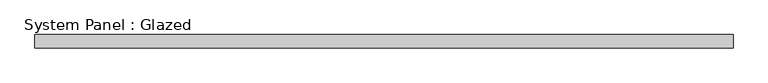
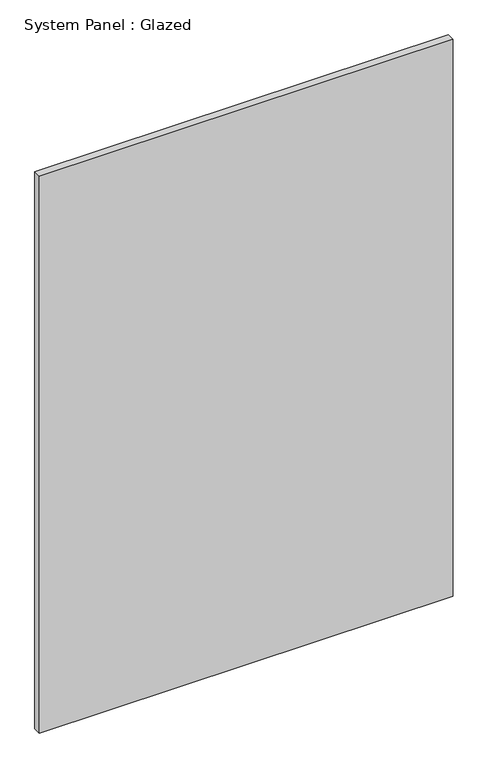
"""IFC4 building model written with IfcOpenShell, lengths in millimetres: plate geometry, System Panel : Glazed."""

from ifc_helpers import new_model, si_unit, origin, origin_with_axes, place, context, project, spatial, polyline, outline, extrude, source, transform, mapped, element, save


def system_panel_glazed_175399d9(model_context):
    return source(origin(), model_context, "Body", "SweptSolid", [
        extrude(outline(polyline([(667.6771, -12.7), (-667.6771, -12.7), (-667.6771, 12.7), (667.6771, 12.7), (667.6771, -12.7)])), origin_with_axes(), (0.0, 0.0, 1.0), 1898.396),
    ])


if __name__ == "__main__":
    model = new_model("IFC4")
    model_context = context("Model", 3, world=origin())
    ifc_project = project(units=[si_unit("LENGTHUNIT", "METRE", prefix="MILLI")], contexts=[model_context])
    site = spatial("IfcSite", under=ifc_project)
    building = spatial("IfcBuilding", under=site)
    placement = place(None, origin())
    system_panel_glazed_shape = system_panel_glazed_175399d9(model_context)
    element("IfcPlate", 1, ObjectType="System Panel : Glazed", at=placement, inside=building, context=model_context, shape_type="MappedRepresentation", body=[
        mapped(system_panel_glazed_shape, transform((0.0, 0.0, 0.0), x_axis=(1.0, 0.0, 0.0), y_axis=(0.0, 1.0, 0.0), z_axis=(0.0, 0.0, 1.0))),
    ])
    save(model, "model.ifc")
